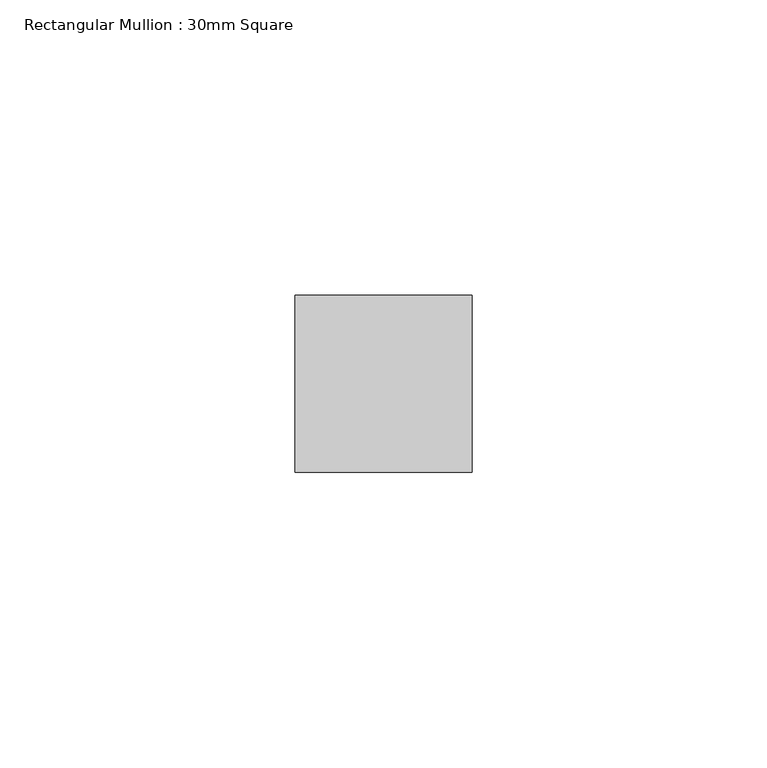
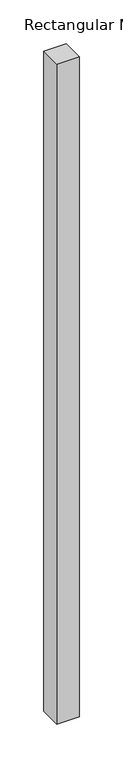
"""IFC4 building model written with IfcOpenShell, lengths in millimetres: member geometry, Rectangular Mullion : 30mm Square."""

from ifc_helpers import new_model, si_unit, frame, origin, place, context, project, spatial, polyline, outline, extrude, source, transform, mapped, element, save


def rectangular_mullion_30mm_square_67fe28b3(model_context):
    return source(origin(), model_context, "Body", "SweptSolid", [
        extrude(outline(polyline([(0.0, 15.0), (0.0, -15.0), (-30.0, -15.0), (-30.0, 15.0), (0.0, 15.0)])), frame((0.0, 0.0, -923.9246058), z_axis=(0.0, 0.0, 1.0), x_axis=(1.0, 0.0, 0.0)), (0.0, 0.0, 1.0), 923.9246058),
    ])


if __name__ == "__main__":
    model = new_model("IFC4")
    model_context = context("Model", 3, world=origin())
    ifc_project = project(units=[si_unit("LENGTHUNIT", "METRE", prefix="MILLI")], contexts=[model_context])
    site = spatial("IfcSite", under=ifc_project)
    building = spatial("IfcBuilding", under=site)
    placement = place(None, origin())
    rectangular_mullion_30mm_square_shape = rectangular_mullion_30mm_square_67fe28b3(model_context)
    element("IfcMember", 1, ObjectType="Rectangular Mullion : 30mm Square", at=placement, inside=building, context=model_context, shape_type="MappedRepresentation", body=[
        mapped(rectangular_mullion_30mm_square_shape, transform((0.0, 0.0, 0.0), x_axis=(1.0, 0.0, 0.0), y_axis=(0.0, 1.0, 0.0), z_axis=(0.0, 0.0, 1.0))),
    ])
    save(model, "model.ifc")
